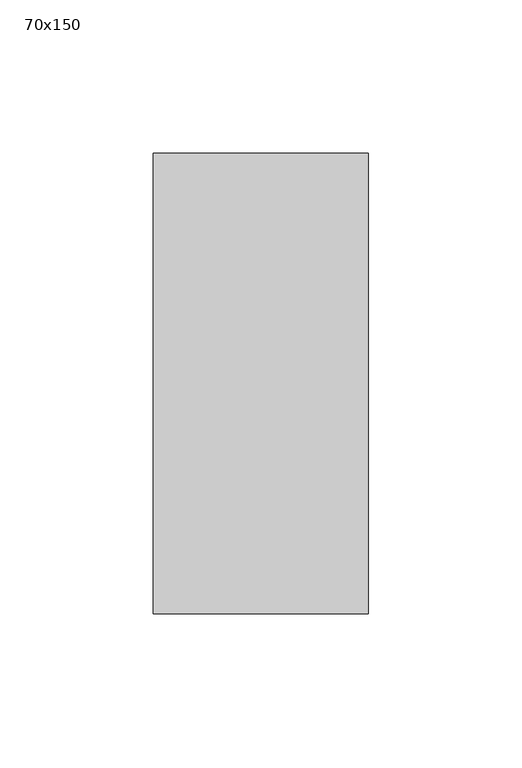
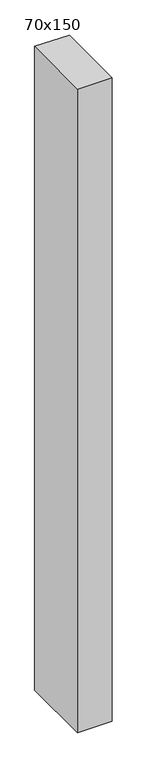
"""IFC4 building model written with IfcOpenShell, lengths in millimetres: member geometry, 70x150."""

import ifcopenshell
import ifcopenshell.guid

model = None  # the IFC model being written
_history = None  # IfcOwnerHistory: only IFC2X3 demands one
_inside = {}  # id of a spatial element -> (the spatial element, [elements in it])
_under = {}  # id of a project, library or spatial element -> (it, [spatial elements below it])
_declared = {}  # id of a project -> (the project, [libraries it declares])
_typed = {}  # id of a type object -> (the type object, [elements of that type])
_made_of = {}  # id of a material, layer set ... -> (it, [elements and type objects made of it])


def new_model(schema):
    """Start an empty IFC model of exactly this schema.

    Asked for "IFC4X3", IfcOpenShell would pick the latest addendum, in which some entities
    have other attributes; the version numbers below select the first issue.
    IFC2X3 requires an IfcOwnerHistory on every rooted entity: one is made here for all.
    """
    global model, _history
    if schema == "IFC4X3":
        model = ifcopenshell.file(schema_version=(4, 3, 0, 0))
    else:
        model = ifcopenshell.file(schema=schema)
    _inside.clear()
    _under.clear()
    _declared.clear()
    _typed.clear()
    _made_of.clear()
    _history = None
    if model.schema == "IFC2X3":
        org = make("IfcOrganization", Name="unknown")
        user = make(
            "IfcPersonAndOrganization",
            ThePerson=make("IfcPerson", FamilyName="unknown"),
            TheOrganization=org,
        )
        app = make(
            "IfcApplication",
            ApplicationDeveloper=org,
            Version="unknown",
            ApplicationFullName="unknown",
            ApplicationIdentifier="unknown",
        )
        _history = make(
            "IfcOwnerHistory",
            OwningUser=user,
            OwningApplication=app,
            ChangeAction="ADDED",
            CreationDate=0,
        )
    return model


def make(cls, **values):
    """One entity of the class cls with the attributes given. An attribute that is None is left unset."""
    return model.create_entity(
        cls, **{name: value for name, value in values.items() if value is not None}
    )


def rooted(cls, **values):
    """An entity with a GlobalId (a new one), such as an element, a storey or a relation."""
    return make(cls, GlobalId=ifcopenshell.guid.new(), OwnerHistory=_history, **values)


def si_unit(unit_type, name, prefix=None):
    """IfcSIUnit, for example si_unit("LENGTHUNIT", "METRE", prefix="MILLI")."""
    return make("IfcSIUnit", UnitType=unit_type, Prefix=prefix, Name=name)


def assignment(units):
    """IfcUnitAssignment: the units of a project."""
    return None if units is None else make("IfcUnitAssignment", Units=units)


def point(xyz):
    """IfcCartesianPoint."""
    return None if xyz is None else make("IfcCartesianPoint", Coordinates=xyz)


def direction(xyz):
    """IfcDirection."""
    return None if xyz is None else make("IfcDirection", DirectionRatios=xyz)


def frame(location, z_axis=None, x_axis=None):
    """IfcAxis2Placement3D, a coordinate frame: its origin and axes. An axis left out is left unset."""
    return make(
        "IfcAxis2Placement3D",
        Location=point(location),
        Axis=direction(z_axis),
        RefDirection=direction(x_axis),
    )


def origin():
    """The frame at (0, 0, 0) with its axes left unset."""
    return frame((0.0, 0.0, 0.0))


def place(relative_to, where):
    """IfcLocalPlacement: puts the frame where relative to a parent placement (None: the world)."""
    return make(
        "IfcLocalPlacement", PlacementRelTo=relative_to, RelativePlacement=where
    )


def context(
    kind, dimensions, precision=None, world=None, true_north=None, identifier=None
):
    """IfcGeometricRepresentationContext, for example the 3D "Model" context."""
    return make(
        "IfcGeometricRepresentationContext",
        ContextIdentifier=identifier,
        ContextType=kind,
        CoordinateSpaceDimension=dimensions,
        Precision=precision,
        WorldCoordinateSystem=world,
        TrueNorth=true_north,
    )


def project(units=None, contexts=None):
    """IfcProject with its units and contexts."""
    return rooted(
        "IfcProject",
        Name="project",
        RepresentationContexts=contexts,
        UnitsInContext=assignment(units),
    )


def spatial(cls, under=None, at=None, **own):
    """A site, building, storey or space (cls), placed at a placement, below another one or the project."""
    s = rooted(cls, ObjectPlacement=at, **own)
    if under is not None:
        _under.setdefault(under.id(), (under, []))[1].append(s)
    return s


def polyline(points):
    """IfcPolyline through the points."""
    return make("IfcPolyline", Points=[point(p) for p in points])


def outline(outer, holes=None, kind="AREA"):
    """IfcArbitraryClosedProfileDef: a profile drawn as a closed curve; with holes, ...WithVoids."""
    if holes is None:
        return make("IfcArbitraryClosedProfileDef", ProfileType=kind, OuterCurve=outer)
    return make(
        "IfcArbitraryProfileDefWithVoids",
        ProfileType=kind,
        OuterCurve=outer,
        InnerCurves=holes,
    )


def extrude(swept, where, along, depth):
    """IfcExtrudedAreaSolid: the profile swept, set in the frame where, extruded along a direction by depth."""
    return make(
        "IfcExtrudedAreaSolid",
        SweptArea=swept,
        Position=where,
        ExtrudedDirection=direction(along),
        Depth=depth,
    )


def shape(context_of_items, identifier, shape_type, items):
    """IfcShapeRepresentation: the items that make up one representation, for example the "Body"."""
    return make(
        "IfcShapeRepresentation",
        ContextOfItems=context_of_items,
        RepresentationIdentifier=identifier,
        RepresentationType=shape_type,
        Items=items,
    )


def source(mapping_origin, context_of_items, identifier, shape_type, items):
    """IfcRepresentationMap: a shape defined once, which mapped items show again and again."""
    return make(
        "IfcRepresentationMap",
        MappingOrigin=mapping_origin,
        MappedRepresentation=shape(context_of_items, identifier, shape_type, items),
    )


def transform(
    local_origin,
    x_axis=None,
    y_axis=None,
    z_axis=None,
    scale=None,
    scale2=None,
    scale3=None,
    uniform=True,
):
    """IfcCartesianTransformationOperator3D, or its non-uniform kind. x_axis, y_axis, z_axis: its Axis1, 2, 3."""
    if uniform:
        return make(
            "IfcCartesianTransformationOperator3D",
            Axis1=direction(x_axis),
            Axis2=direction(y_axis),
            LocalOrigin=point(local_origin),
            Scale=scale,
            Axis3=direction(z_axis),
        )
    return make(
        "IfcCartesianTransformationOperator3DnonUniform",
        Axis1=direction(x_axis),
        Axis2=direction(y_axis),
        LocalOrigin=point(local_origin),
        Scale=scale,
        Axis3=direction(z_axis),
        Scale2=scale2,
        Scale3=scale3,
    )


def mapped(mapping_source, mapping_target):
    """IfcMappedItem: shows the shape of a source again, moved by a transform."""
    return make(
        "IfcMappedItem", MappingSource=mapping_source, MappingTarget=mapping_target
    )


def made_of(thing, what):
    """Note that an element or type object is made of a material, layer set ...; save() writes the relation."""
    if what is not None:
        _made_of.setdefault(what.id(), (what, []))[1].append(thing)
    return thing


def element(
    cls,
    number,
    at=None,
    inside=None,
    cuts=None,
    type_object=None,
    material=None,
    context=None,
    identifier="Body",
    shape_type=None,
    held_by="IfcProductDefinitionShape",
    body=None,
    shapes=None,
    **own,
):
    """One element of the class cls, such as IfcWall. Its Tag is "e" and its number.

    at: its placement. inside: the storey or other place that contains it. cuts: it is an
    opening in that element (IfcRelVoidsElement). A single representation is given by context,
    identifier, shape_type and body (its items); several are given by shapes. held_by: the class
    of the entity that holds the representations. save() writes the other relations.
    """
    e = rooted(cls, Tag="e%d" % number, ObjectPlacement=at, **own)
    if body is not None:
        shapes = [shape(context, identifier, shape_type, body)]
    if shapes is not None:
        e.Representation = make(held_by, Representations=shapes)
    if inside is not None:
        _inside.setdefault(inside.id(), (inside, []))[1].append(e)
    if cuts is not None:
        rooted(
            "IfcRelVoidsElement", RelatingBuildingElement=cuts, RelatedOpeningElement=e
        )
    if type_object is not None:
        _typed.setdefault(type_object.id(), (type_object, []))[1].append(e)
    return made_of(e, material)


def aggregate(whole, parts):
    """IfcRelAggregates: a whole, such as a stair, and the parts it consists of."""
    return rooted("IfcRelAggregates", RelatingObject=whole, RelatedObjects=parts)


def save(model, path):
    """Write the relations noted so far, then the file.

    IfcRelAggregates (storeys below a building ...), IfcRelContainedInSpatialStructure (elements
    in a storey), IfcRelDefinesByType, IfcRelAssociatesMaterial and IfcRelDeclares: one each for
    every whole, place, type object, material and project.
    """
    for whole, parts in _under.values():
        aggregate(whole, parts)
    for where, things in _inside.values():
        rooted(
            "IfcRelContainedInSpatialStructure",
            RelatedElements=things,
            RelatingStructure=where,
        )
    for kind, things in _typed.values():
        rooted("IfcRelDefinesByType", RelatedObjects=things, RelatingType=kind)
    for what, things in _made_of.values():
        rooted("IfcRelAssociatesMaterial", RelatedObjects=things, RelatingMaterial=what)
    for by, libraries in _declared.values():
        rooted("IfcRelDeclares", RelatingContext=by, RelatedDefinitions=libraries)
    model.write(path)


def member_70x150_12fba919(model_context):
    return source(origin(), model_context, "Body", "SweptSolid", [
        extrude(outline(polyline([(-75.0, 0.1148654), (75.0, -0.1148654), (75.0, -1374.5594116), (-75.0, -1373.4451002), (-75.0, 0.1148654)])), frame((-70.0, 0.0, 0.0), z_axis=(1.0, 0.0, 0.0), x_axis=(0.0, 1.0, 0.0)), (0.0, 0.0, 1.0), 70.0),
    ])


if __name__ == "__main__":
    model = new_model("IFC4")
    model_context = context("Model", 3, world=origin())
    ifc_project = project(units=[si_unit("LENGTHUNIT", "METRE", prefix="MILLI")], contexts=[model_context])
    site = spatial("IfcSite", under=ifc_project)
    building = spatial("IfcBuilding", under=site)
    placement = place(None, origin())
    member_70x150_shape = member_70x150_12fba919(model_context)
    element("IfcMember", 1, ObjectType="70x150", at=placement, inside=building, context=model_context, shape_type="MappedRepresentation", body=[
        mapped(member_70x150_shape, transform((0.0, 0.0, 0.0), x_axis=(1.0, 0.0, 0.0), y_axis=(0.0, 1.0, 0.0), z_axis=(0.0, 0.0, 1.0))),
    ])
    save(model, "model.ifc")
